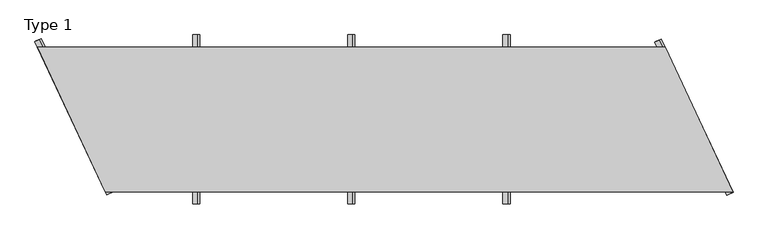
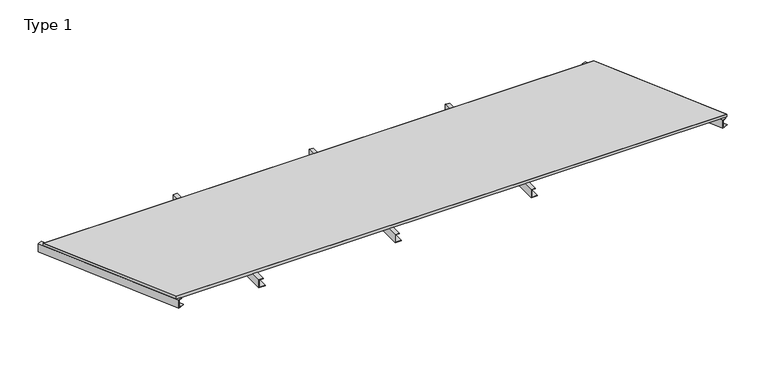
"""IFC4 building model written with IfcOpenShell, lengths in millimetres: proxy geometry, Type 1."""

from ifc_helpers import new_model, si_unit, frame, origin, place, context, project, spatial, polyline, outline, extrude, source, transform, mapped, element, save


def type_1_206b1b56(model_context):
    return source(origin(), model_context, "Body", "SweptSolid", [
        extrude(outline(polyline([(0.0, 1311.4690548), (2.0, 1311.4690548), (2.0, 1283.4690548), (38.0, 1283.4690548), (38.0, 1301.4690548), (40.0, 1301.4690548), (40.0, 1281.4690548), (0.0, 1281.4690548), (0.0, 1311.4690548)])), frame((0.0, -50.0, 0.0), z_axis=(0.0, 1.0, 0.0), x_axis=(0.0, 0.0, 1.0)), (0.0, 0.0, 1.0), 700.0),
        extrude(outline(polyline([(-30.0, 0.0), (-30.0, 2.0), (-2.0000001, 2.0), (-2.0000001, 38.0), (-20.0, 38.0), (-20.0, 40.0), (0.0, 40.0), (0.0, 0.0), (-30.0, 0.0)])), frame((2846.3604404, -14.4519898, 0.0), z_axis=(-0.4226182617406978, 0.9063077870366507, 0.0), x_axis=(-0.9063077870366507, -0.4226182617406978, 0.0)), (0.0, 0.0, 1.0), 700.0),
        extrude(outline(polyline([(-30.0, 0.0), (-30.0, 2.0), (-2.0000001, 2.0), (-2.0000001, 38.0), (-20.0, 38.0), (-20.0, 40.0), (0.0, 40.0), (0.0, 0.0), (-30.0, 0.0)])), frame((285.46773, -12.1875226, 0.0), z_axis=(-0.4226182617407065, 0.9063077870366466, 0.0), x_axis=(-0.9063077870366466, -0.4226182617407065, 0.0)), (0.0, 0.0, 1.0), 700.0),
        extrude(outline(polyline([(0.0, 1952.2035822), (2.0, 1952.2035822), (2.0, 1924.2035822), (38.0, 1924.2035822), (38.0, 1942.2035822), (40.0, 1942.2035822), (40.0, 1922.2035822), (0.0, 1922.2035822), (0.0, 1952.2035822)])), frame((0.0, -50.0, 0.0), z_axis=(0.0, 1.0, 0.0), x_axis=(0.0, 0.0, 1.0)), (0.0, 0.0, 1.0), 700.0),
        extrude(outline(polyline([(0.0, 670.7345274), (2.0, 670.7345274), (2.0, 642.7345274), (38.0, 642.7345274), (38.0, 660.7345274), (40.0, 660.7345274), (40.0, 640.7345274), (0.0, 640.7345274), (0.0, 670.7345274)])), frame((0.0, -50.0, 0.0), z_axis=(0.0, 1.0, 0.0), x_axis=(0.0, 0.0, 1.0)), (0.0, 0.0, 1.0), 700.0),
        extrude(outline(polyline([(2871.1530189, 1.0), (280.4216652, 1.0), (1.5696856, 599.0), (2592.3010393, 599.0), (2871.1530189, 1.0)])), frame((0.0, 0.0, 40.0), z_axis=(0.0, 0.0, 1.0), x_axis=(1.0, 0.0, 0.0)), (0.0, 0.0, 1.0), 13.0),
        extrude(outline(polyline([(2872.7227045, 0.0), (279.7845949, 0.0), (0.0, 600.0), (2592.9381096, 600.0), (2872.7227045, 0.0)]), holes=[polyline([(2871.1530189, 1.0), (2592.3010393, 599.0), (1.5696856, 599.0), (280.4216652, 1.0), (2871.1530189, 1.0)])]), frame((0.0, 0.0, 40.0), z_axis=(0.0, 0.0, 1.0), x_axis=(1.0, 0.0, 0.0)), (0.0, 0.0, 1.0), 13.0),
    ])


if __name__ == "__main__":
    model = new_model("IFC4")
    model_context = context("Model", 3, world=origin())
    ifc_project = project(units=[si_unit("LENGTHUNIT", "METRE", prefix="MILLI")], contexts=[model_context])
    site = spatial("IfcSite", under=ifc_project)
    building = spatial("IfcBuilding", under=site)
    placement = place(None, origin())
    type_1_shape = type_1_206b1b56(model_context)
    element("IfcBuildingElementProxy", 1, Name="Type 1", ObjectType="Type 1", at=placement, inside=building, context=model_context, shape_type="MappedRepresentation", body=[
        mapped(type_1_shape, transform((0.0, 0.0, 0.0), x_axis=(1.0, 0.0, 0.0), y_axis=(0.0, 1.0, 0.0), z_axis=(0.0, 0.0, 1.0))),
    ])
    save(model, "model.ifc")
